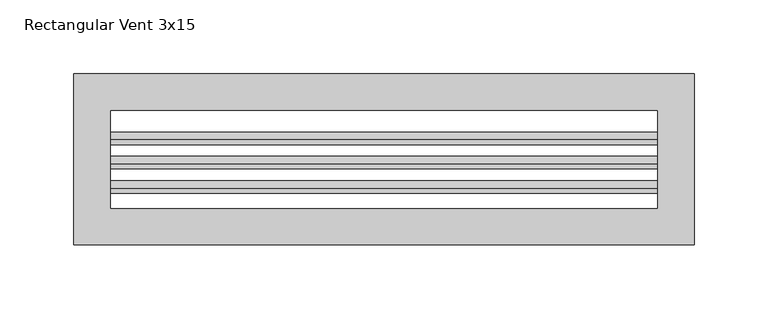
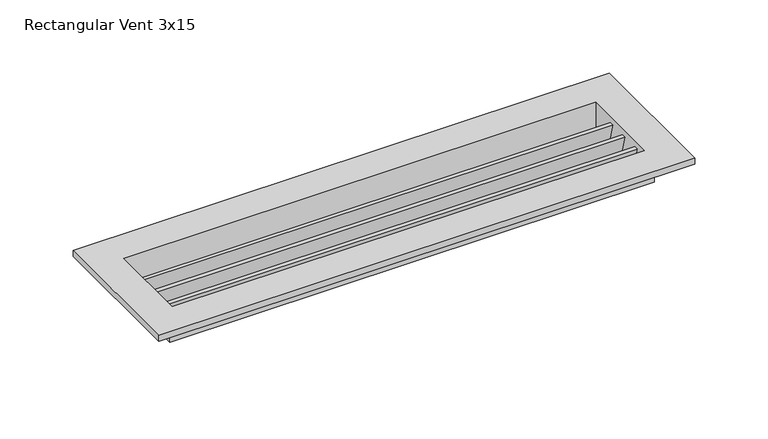
"""IFC4 building model written with IfcOpenShell, lengths in millimetres: air terminal geometry, Rectangular Vent 3x15."""

from ifc_helpers import new_model, si_unit, frame, origin, place, context, project, spatial, polyline, outline, extrude, faceted_brep, source, transform, mapped, element, save


def rectangular_vent_3x15_d69ffdb7(model_context):
    return source(origin(), model_context, "Body", "SolidModel", [
        extrude(outline(polyline([(-19.9632939, 0.0), (-14.60431, -20.0), (-17.72931, -20.0), (-23.0882939, 0.0), (-19.9632939, 0.0)])), frame((-185.5, 0.0, 0.0), z_axis=(1.0, 0.0, 0.0), x_axis=(0.0, 1.0, 0.0)), (0.0, 0.0, 1.0), 371.0),
        extrude(outline(polyline([(-6.5370008, 0.0), (-3.4120008, 0.0), (1.946983, -20.0), (-1.178017, -20.0), (-6.5370008, 0.0)])), frame((-185.5, 0.0, 0.0), z_axis=(1.0, 0.0, 0.0), x_axis=(0.0, 1.0, 0.0)), (0.0, 0.0, 1.0), 371.0),
        extrude(outline(polyline([(10.0142923, 0.0), (13.1392923, 0.0), (18.4982761, -20.0), (15.3732761, -20.0), (10.0142923, 0.0)])), frame((-185.5, 0.0, 0.0), z_axis=(1.0, 0.0, 0.0), x_axis=(0.0, 1.0, 0.0)), (0.0, 0.0, 1.0), 371.0),
        faceted_brep([(190.5, -38.1, -20.0), (190.5, -38.1, 0.0), (-190.5, -38.1, 0.0), (-190.5, -38.1, -20.0), (185.5, -33.1, 5.0), (185.5, -33.1, -20.0), (-185.5, -33.1, -20.0), (-185.5, -33.1, 5.0), (210.5, -58.1, 0.0), (210.5, -58.1, 5.0), (-210.5, -58.1, 5.0), (-210.5, -58.1, 0.0), (-190.5, 38.1, 0.0), (-190.5, 38.1, -20.0), (-185.5, 33.1, -20.0), (-185.5, 33.1, 5.0), (-210.5, 58.1, 5.0), (-210.5, 58.1, 0.0), (190.5, 38.1, 0.0), (190.5, 38.1, -20.0), (185.5, 33.1, -20.0), (185.5, 33.1, 5.0), (210.5, 58.1, 5.0), (210.5, 58.1, 0.0)], [[[0, 1, 2, 3]], [[4, 5, 6, 7]], [[8, 9, 10, 11]], [[3, 2, 12, 13]], [[7, 6, 14, 15]], [[11, 10, 16, 17]], [[13, 12, 18, 19]], [[15, 14, 20, 21]], [[17, 16, 22, 23]], [[11, 17, 23, 8], [1, 18, 12, 2]], [[19, 18, 1, 0]], [[3, 13, 19, 0], [5, 20, 14, 6]], [[21, 20, 5, 4]], [[9, 22, 16, 10], [7, 15, 21, 4]], [[23, 22, 9, 8]]]),
    ])


if __name__ == "__main__":
    model = new_model("IFC4")
    model_context = context("Model", 3, world=origin())
    ifc_project = project(units=[si_unit("LENGTHUNIT", "METRE", prefix="MILLI")], contexts=[model_context])
    site = spatial("IfcSite", under=ifc_project)
    building = spatial("IfcBuilding", under=site)
    placement = place(None, origin())
    rectangular_vent_3x15_shape = rectangular_vent_3x15_d69ffdb7(model_context)
    element("IfcAirTerminal", 1, ObjectType="Rectangular Vent 3x15", at=placement, inside=building, context=model_context, shape_type="MappedRepresentation", body=[
        mapped(rectangular_vent_3x15_shape, transform((0.0, 0.0, 0.0), x_axis=(1.0, 0.0, 0.0), y_axis=(0.0, 1.0, 0.0), z_axis=(0.0, 0.0, 1.0))),
    ])
    save(model, "model.ifc")
